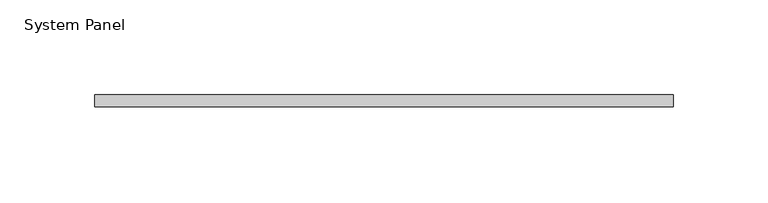
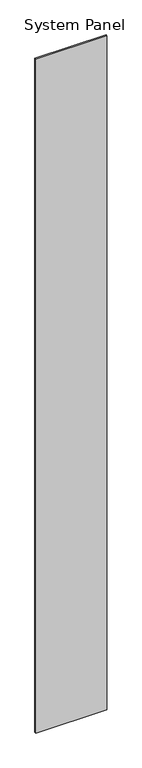
"""IFC4 building model written with IfcOpenShell, lengths in millimetres: plate geometry, System Panel."""

from ifc_helpers import new_model, si_unit, origin, origin_with_axes, place, context, project, spatial, polyline, outline, extrude, source, transform, mapped, element, save


def system_panel_49509291(model_context):
    return source(origin(), model_context, "Body", "SweptSolid", [
        extrude(outline(polyline([(152.3776495, 0.0), (-152.3776495, 0.0), (-152.3776495, 6.35), (152.3776495, 6.35), (152.3776495, 0.0)])), origin_with_axes(), (0.0, 0.0, 1.0), 3048.0),
    ])


if __name__ == "__main__":
    model = new_model("IFC4")
    model_context = context("Model", 3, world=origin())
    ifc_project = project(units=[si_unit("LENGTHUNIT", "METRE", prefix="MILLI")], contexts=[model_context])
    site = spatial("IfcSite", under=ifc_project)
    building = spatial("IfcBuilding", under=site)
    placement = place(None, origin())
    system_panel_shape = system_panel_49509291(model_context)
    element("IfcPlate", 1, ObjectType="System Panel", at=placement, inside=building, context=model_context, shape_type="MappedRepresentation", body=[
        mapped(system_panel_shape, transform((0.0, 0.0, 0.0), x_axis=(1.0, 0.0, 0.0), y_axis=(0.0, 1.0, 0.0), z_axis=(0.0, 0.0, 1.0))),
    ])
    save(model, "model.ifc")
